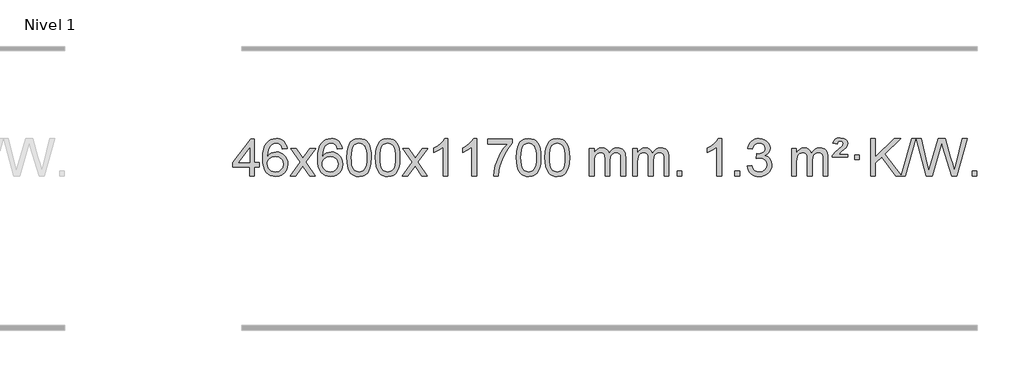
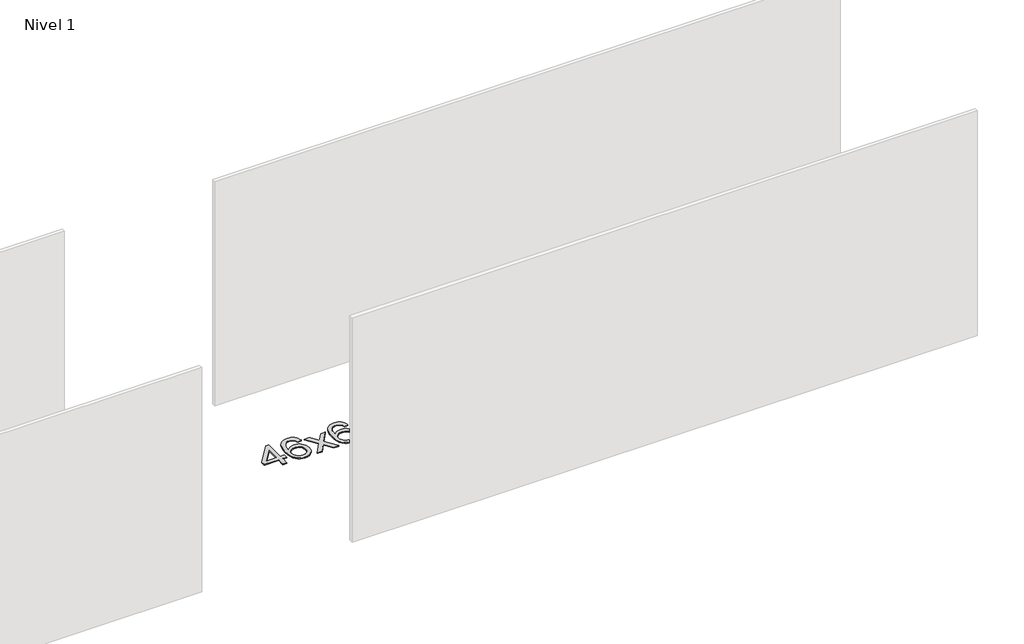
# One storey, part 12 of 12: 1 proxy.
"""IFC4 building model written with IfcOpenShell, lengths in millimetres."""

from ifc_helpers import new_model, si_unit, origin, origin_with_axes, place, context, project, spatial, polyline, outline, extrude, element, save

model = new_model("IFC4")

# Units and contexts
model_context = context("Model", 3, world=origin())
ifc_project = project(units=[si_unit("LENGTHUNIT", "METRE", prefix="MILLI")], contexts=[model_context])

# Site, building, storey
site = spatial("IfcSite", under=ifc_project)
building = spatial("IfcBuilding", under=site)
storey = spatial("IfcBuildingStorey", under=building, Name="Nivel 1", Elevation=0.0)

# Proxy
placement = place(None, origin())
element("IfcBuildingElementProxy", 1, Name="Texto de modelo 1", ObjectType="Texto de modelo 1", at=placement, inside=storey, context=model_context, shape_type="SweptSolid", body=[
    extrude(outline(polyline([(-1746.7519314, 2608.420547), (-1746.7519314, 2702.5983378), (-1928.8289935, 2702.5983378), (-1928.8289935, 2752.8264928), (-1734.1948926, 3003.9672682), (-1696.5237763, 3003.9672682), (-1696.5237763, 2752.8264928), (-1646.2956212, 2752.8264928), (-1646.2956212, 2702.5983378), (-1696.5237763, 2702.5983378), (-1696.5237763, 2608.420547), (-1746.7519314, 2608.420547)]), holes=[polyline([(-1746.7519314, 2752.8264928), (-1746.7519314, 2908.0236439), (-1867.0248183, 2752.8264928), (-1746.7519314, 2752.8264928)])]), origin_with_axes(), (0.0, 0.0, 1.0), 10.0),
    extrude(outline(polyline([(-1344.9266908, 2903.5109581), (-1395.1548459, 2897.2324387), (-1403.2482498, 2922.125787), (-1414.1866077, 2939.1219352), (-1436.970766, 2954.7937082), (-1464.5128647, 2960.0176325), (-1487.8611086, 2956.9764747), (-1509.8359265, 2947.8530012), (-1528.7082728, 2928.6372983), (-1544.1225284, 2902.1865829), (-1554.5335889, 2864.772984), (-1558.3963499, 2812.6686307), (-1538.2486793, 2836.1762902), (-1514.1033576, 2852.7432427), (-1487.3092857, 2862.565692), (-1459.215364, 2865.8398418), (-1435.0823051, 2863.601893), (-1412.8131816, 2856.8880466), (-1392.4079936, 2845.6983025), (-1373.8667411, 2830.0326609), (-1358.4586168, 2810.8230894), (-1347.4528138, 2789.0015557), (-1340.849332, 2764.5680599), (-1338.6481714, 2737.5226018), (-1342.7929752, 2701.5560055), (-1355.2273867, 2668.213634), (-1374.9213361, 2639.9357713), (-1400.8447541, 2619.1627013), (-1431.820418, 2606.397196), (-1466.6711057, 2602.1420276), (-1496.6136344, 2604.9624563), (-1523.6560268, 2613.4237421), (-1547.7982827, 2627.5258853), (-1569.0404022, 2647.2688857), (-1586.3584472, 2673.4866092), (-1598.7284793, 2707.0129217), (-1606.1504985, 2747.8478232), (-1608.6245049, 2795.9913136), (-1605.8776527, 2849.9657337), (-1597.637096, 2896.0306908), (-1583.9028349, 2934.1861851), (-1564.6748692, 2964.4322165), (-1543.8343542, 2984.4756538), (-1519.6706385, 2998.7923948), (-1492.1837221, 3007.3824394), (-1461.373605, 3010.2457876), (-1438.2399589, 3008.4738227), (-1417.301342, 3003.1579278), (-1398.5577543, 2994.2981031), (-1382.0091959, 2981.8943485), (-1368.1032565, 2966.3635969), (-1357.2875258, 2948.1227814), (-1349.5620039, 2927.1719017), (-1344.9266908, 2903.5109581)]), holes=[polyline([(-1558.3963499, 2738.3074168), (-1555.4900821, 2716.0505561), (-1546.7712788, 2694.7992395), (-1533.2332214, 2676.527767), (-1515.8691912, 2663.2104388), (-1494.9121802, 2655.0802467), (-1470.5951803, 2652.3701827), (-1437.4490126, 2657.9865145), (-1423.5338761, 2665.0069292), (-1411.3907046, 2674.8355099), (-1401.5406642, 2687.0737176), (-1394.504921, 2701.3230135), (-1388.8763265, 2735.8548701), (-1394.4313446, 2769.0010379), (-1401.3751173, 2782.6218688), (-1411.096399, 2794.274531), (-1423.2763587, 2803.6095366), (-1437.5961654, 2810.2773978), (-1472.6553195, 2815.6116867), (-1505.7524363, 2810.2773978), (-1533.4294251, 2794.274531), (-1544.3524547, 2782.7751529), (-1552.1546187, 2769.6141746), (-1556.8359171, 2754.7915958), (-1558.3963499, 2738.3074168)])]), origin_with_axes(), (0.0, 0.0, 1.0), 10.0),
    extrude(outline(polyline([(-1313.5340939, 2608.420547), (-1206.2106531, 2756.7505675), (-1307.2555745, 2903.5109581), (-1246.8248254, 2903.5109581), (-1198.0681983, 2832.877615), (-1175.3085655, 2799.5229808), (-1155.5900906, 2826.7952993), (-1100.0644348, 2903.5109581), (-1039.6336857, 2903.5109581), (-1145.7799041, 2756.7505675), (-1043.5577603, 2608.420547), (-1103.9885094, 2608.420547), (-1165.498379, 2697.5951426), (-1176.7800935, 2713.8800523), (-1253.1033448, 2608.420547), (-1313.5340939, 2608.420547)])), origin_with_axes(), (0.0, 0.0, 1.0), 10.0),
    extrude(outline(polyline([(-754.7458687, 2903.5109581), (-804.9740237, 2897.2324387), (-813.0674276, 2922.125787), (-824.0057856, 2939.1219352), (-846.7899439, 2954.7937082), (-874.3320426, 2960.0176325), (-897.6802865, 2956.9764747), (-919.6551044, 2947.8530012), (-938.5274507, 2928.6372983), (-953.9417063, 2902.1865829), (-964.3527668, 2864.772984), (-968.2155277, 2812.6686307), (-948.0678571, 2836.1762902), (-923.9225355, 2852.7432427), (-897.1284635, 2862.565692), (-869.0345418, 2865.8398418), (-844.9014829, 2863.601893), (-822.6323595, 2856.8880466), (-802.2271715, 2845.6983025), (-783.6859189, 2830.0326609), (-768.2777947, 2810.8230894), (-757.2719917, 2789.0015557), (-750.6685099, 2764.5680599), (-748.4673493, 2737.5226018), (-752.6121531, 2701.5560055), (-765.0465645, 2668.213634), (-784.740514, 2639.9357713), (-810.6639319, 2619.1627013), (-841.6395959, 2606.397196), (-876.4902836, 2602.1420276), (-906.4328123, 2604.9624563), (-933.4752046, 2613.4237421), (-957.6174606, 2627.5258853), (-978.8595801, 2647.2688857), (-996.177625, 2673.4866092), (-1008.5476571, 2707.0129217), (-1015.9696764, 2747.8478232), (-1018.4436828, 2795.9913136), (-1015.6968306, 2849.9657337), (-1007.4562739, 2896.0306908), (-993.7220127, 2934.1861851), (-974.4940471, 2964.4322165), (-953.6535321, 2984.4756538), (-929.4898164, 2998.7923948), (-902.0029, 3007.3824394), (-871.1927829, 3010.2457876), (-848.0591367, 3008.4738227), (-827.1205198, 3003.1579278), (-808.3769322, 2994.2981031), (-791.8283738, 2981.8943485), (-777.9224344, 2966.3635969), (-767.1067037, 2948.1227814), (-759.3811818, 2927.1719017), (-754.7458687, 2903.5109581)]), holes=[polyline([(-968.2155277, 2738.3074168), (-965.30926, 2716.0505561), (-956.5904567, 2694.7992395), (-943.0523993, 2676.527767), (-925.6883691, 2663.2104388), (-904.7313581, 2655.0802467), (-880.4143582, 2652.3701827), (-847.2681904, 2657.9865145), (-833.353054, 2665.0069292), (-821.2098825, 2674.8355099), (-811.359842, 2687.0737176), (-804.3240989, 2701.3230135), (-798.6955043, 2735.8548701), (-804.2505225, 2769.0010379), (-811.1942951, 2782.6218688), (-820.9155769, 2794.274531), (-833.0955366, 2803.6095366), (-847.4153432, 2810.2773978), (-882.4744974, 2815.6116867), (-915.5716142, 2810.2773978), (-943.248603, 2794.274531), (-954.1716326, 2782.7751529), (-961.9737965, 2769.6141746), (-966.6550949, 2754.7915958), (-968.2155277, 2738.3074168)])]), origin_with_axes(), (0.0, 0.0, 1.0), 10.0),
    extrude(outline(polyline([(-704.5177136, 2806.0958057), (-700.8266309, 2870.4138412), (-689.7533828, 2921.7088541), (-671.408334, 2960.7656593), (-659.550271, 2975.9990395), (-645.901849, 2988.3690716), (-630.4170827, 2997.9401349), (-613.0499869, 3004.7766086), (-572.6688065, 3010.2457876), (-541.717668, 3007.008426), (-514.003891, 2997.2963414), (-490.8273253, 2981.4896783), (-473.4878206, 2959.9685816), (-460.3912216, 2932.9169922), (-449.9433729, 2900.5188512), (-443.1007678, 2859.3773814), (-440.8198994, 2806.0958057), (-444.4741939, 2742.1456523), (-455.4370774, 2690.9732667), (-473.6717616, 2651.8796734), (-485.5022334, 2636.6003078), (-499.1414584, 2624.1658964), (-514.6446188, 2614.5304538), (-532.066897, 2607.6479948), (-572.6688065, 2602.1420276), (-600.3335326, 2604.5332606), (-624.8589989, 2611.7069595), (-646.2452055, 2623.6631243), (-664.4921525, 2640.4017551), (-682.0033355, 2670.6600492), (-694.5113233, 2708.3618224), (-702.016116, 2753.5070745), (-704.5177136, 2806.0958057)]), holes=[polyline([(-654.2895585, 2806.1939076), (-652.8180305, 2762.5293805), (-648.4034466, 2727.1851178), (-641.0458067, 2700.1611196), (-630.7451108, 2681.4573858), (-618.2861739, 2668.7317344), (-604.4538109, 2659.6419835), (-589.2480218, 2654.1881329), (-572.6688065, 2652.3701827), (-556.0895913, 2654.1942643), (-540.8838021, 2659.6665089), (-527.0514391, 2668.7869167), (-514.5925022, 2681.5554876), (-504.2918063, 2700.2898783), (-496.9341664, 2727.3077451), (-492.5195825, 2762.6090882), (-491.0480545, 2806.1939076), (-492.4705316, 2848.7026722), (-496.7379627, 2883.4246011), (-503.8503479, 2910.3596945), (-513.8076873, 2929.5079524), (-526.0581577, 2942.8559375), (-540.0499363, 2952.3902125), (-555.7830229, 2958.1107775), (-573.2574177, 2960.0176325), (-589.7507938, 2958.3376381), (-604.6990656, 2953.2976548), (-618.1022329, 2944.8976825), (-629.9602959, 2933.1377214), (-640.6043483, 2912.291075), (-648.2072429, 2884.1848906), (-652.7689796, 2848.8191681), (-654.2895585, 2806.1939076)])]), origin_with_axes(), (0.0, 0.0, 1.0), 10.0),
    extrude(outline(polyline([(-396.8702638, 2806.0958057), (-393.1791811, 2870.4138412), (-382.105933, 2921.7088541), (-363.7608842, 2960.7656593), (-351.9028212, 2975.9990395), (-338.2543992, 2988.3690716), (-322.7696329, 2997.9401349), (-305.402537, 3004.7766086), (-265.0213567, 3010.2457876), (-234.0702182, 3007.008426), (-206.3564412, 2997.2963414), (-183.1798755, 2981.4896783), (-165.8403708, 2959.9685816), (-152.7437718, 2932.9169922), (-142.2959231, 2900.5188512), (-135.453318, 2859.3773814), (-133.1724496, 2806.0958057), (-136.8267441, 2742.1456523), (-147.7896275, 2690.9732667), (-166.0243118, 2651.8796734), (-177.8547836, 2636.6003078), (-191.4940086, 2624.1658964), (-206.997169, 2614.5304538), (-224.4194471, 2607.6479948), (-265.0213567, 2602.1420276), (-292.6860827, 2604.5332606), (-317.2115491, 2611.7069595), (-338.5977557, 2623.6631243), (-356.8447027, 2640.4017551), (-374.3558856, 2670.6600492), (-386.8638735, 2708.3618224), (-394.3686662, 2753.5070745), (-396.8702638, 2806.0958057)]), holes=[polyline([(-346.6421087, 2806.1939076), (-345.1705807, 2762.5293805), (-340.7559968, 2727.1851178), (-333.3983568, 2700.1611196), (-323.097661, 2681.4573858), (-310.6387241, 2668.7317344), (-296.8063611, 2659.6419835), (-281.6005719, 2654.1881329), (-265.0213567, 2652.3701827), (-248.4421414, 2654.1942643), (-233.2363523, 2659.6665089), (-219.4039893, 2668.7869167), (-206.9450524, 2681.5554876), (-196.6443565, 2700.2898783), (-189.2867166, 2727.3077451), (-184.8721327, 2762.6090882), (-183.4006047, 2806.1939076), (-184.8230817, 2848.7026722), (-189.0905129, 2883.4246011), (-196.2028981, 2910.3596945), (-206.1602375, 2929.5079524), (-218.4107079, 2942.8559375), (-232.4024864, 2952.3902125), (-248.1355731, 2958.1107775), (-265.6099679, 2960.0176325), (-282.103344, 2958.3376381), (-297.0516157, 2953.2976548), (-310.4547831, 2944.8976825), (-322.3128461, 2933.1377214), (-332.9568985, 2912.291075), (-340.559793, 2884.1848906), (-345.1215298, 2848.8191681), (-346.6421087, 2806.1939076)])]), origin_with_axes(), (0.0, 0.0, 1.0), 10.0),
    extrude(outline(polyline([(-108.0583721, 2608.420547), (-0.7349313, 2756.7505675), (-101.7798527, 2903.5109581), (-41.3491036, 2903.5109581), (7.4075235, 2832.877615), (30.1671563, 2799.5229808), (49.8856312, 2826.7952993), (105.411287, 2903.5109581), (165.8420361, 2903.5109581), (59.6958177, 2756.7505675), (161.9179615, 2608.420547), (101.4872124, 2608.420547), (39.9773428, 2697.5951426), (28.6956283, 2713.8800523), (-47.627623, 2608.420547), (-108.0583721, 2608.420547)])), origin_with_axes(), (0.0, 0.0, 1.0), 10.0),
    extrude(outline(polyline([(381.6661399, 2608.420547), (331.4379848, 2608.420547), (331.4379848, 2921.5617013), (310.4687111, 2904.6023413), (283.8585801, 2887.6675068), (230.9816747, 2862.3081746), (230.9816747, 2909.7894775), (270.4308873, 2931.2492605), (304.6071247, 2956.780271), (331.5483494, 2983.9299622), (349.2925243, 3010.2457876), (381.6661399, 3010.2457876), (381.6661399, 2608.420547)])), origin_with_axes(), (0.0, 0.0, 1.0), 10.0),
    extrude(outline(polyline([(689.3135897, 2608.420547), (639.0854347, 2608.420547), (639.0854347, 2921.5617013), (618.1161609, 2904.6023413), (591.50603, 2887.6675068), (538.6291245, 2862.3081746), (538.6291245, 2909.7894775), (578.0783371, 2931.2492605), (612.2545745, 2956.780271), (639.1957993, 2983.9299622), (656.9399742, 3010.2457876), (689.3135897, 3010.2457876), (689.3135897, 2608.420547)])), origin_with_axes(), (0.0, 0.0, 1.0), 10.0),
    extrude(outline(polyline([(808.605458, 2953.7391131), (808.605458, 3003.9672682), (1072.3032722, 3003.9672682), (1072.3032722, 2963.353096), (1034.717995, 2915.785954), (997.5005998, 2855.2938912), (964.6732631, 2787.3951377), (940.2581614, 2717.6079232), (928.2897338, 2665.3932053), (921.618807, 2608.420547), (871.3906519, 2608.420547), (876.8230427, 2660.1938065), (891.3543815, 2721.7282015), (914.5922609, 2786.9536793), (946.1442733, 2849.8001868), (982.9815238, 2906.6134296), (1022.0751171, 2953.7391131), (808.605458, 2953.7391131)])), origin_with_axes(), (0.0, 0.0, 1.0), 10.0),
    extrude(outline(polyline([(1116.2529079, 2806.0958057), (1119.9439906, 2870.4138412), (1131.0172386, 2921.7088541), (1149.3622874, 2960.7656593), (1161.2203504, 2975.9990395), (1174.8687724, 2988.3690716), (1190.3535388, 2997.9401349), (1207.7206346, 3004.7766086), (1248.1018149, 3010.2457876), (1279.0529535, 3007.008426), (1306.7667304, 2997.2963414), (1329.9432961, 2981.4896783), (1347.2828008, 2959.9685816), (1360.3793999, 2932.9169922), (1370.8272485, 2900.5188512), (1377.6698537, 2859.3773814), (1379.950722, 2806.0958057), (1376.2964275, 2742.1456523), (1365.3335441, 2690.9732667), (1347.0988599, 2651.8796734), (1335.268388, 2636.6003078), (1321.6291631, 2624.1658964), (1306.1260026, 2614.5304538), (1288.7037245, 2607.6479948), (1248.1018149, 2602.1420276), (1220.4370889, 2604.5332606), (1195.9116226, 2611.7069595), (1174.5254159, 2623.6631243), (1156.278469, 2640.4017551), (1138.767286, 2670.6600492), (1126.2592981, 2708.3618224), (1118.7545054, 2753.5070745), (1116.2529079, 2806.0958057)]), holes=[polyline([(1166.481063, 2806.1939076), (1167.9525909, 2762.5293805), (1172.3671749, 2727.1851178), (1179.7248148, 2700.1611196), (1190.0255106, 2681.4573858), (1202.4844475, 2668.7317344), (1216.3168106, 2659.6419835), (1231.5225997, 2654.1881329), (1248.1018149, 2652.3701827), (1264.6810302, 2654.1942643), (1279.8868193, 2659.6665089), (1293.7191824, 2668.7869167), (1306.1781193, 2681.5554876), (1316.4788151, 2700.2898783), (1323.836455, 2727.3077451), (1328.251039, 2762.6090882), (1329.7225669, 2806.1939076), (1328.3000899, 2848.7026722), (1324.0326588, 2883.4246011), (1316.9202735, 2910.3596945), (1306.9629342, 2929.5079524), (1294.7124637, 2942.8559375), (1280.7206852, 2952.3902125), (1264.9875985, 2958.1107775), (1247.5132038, 2960.0176325), (1231.0198276, 2958.3376381), (1216.0715559, 2953.2976548), (1202.6683885, 2944.8976825), (1190.8103256, 2933.1377214), (1180.1662732, 2912.291075), (1172.5633786, 2884.1848906), (1168.0016419, 2848.8191681), (1166.481063, 2806.1939076)])]), origin_with_axes(), (0.0, 0.0, 1.0), 10.0),
    extrude(outline(polyline([(1423.9003577, 2806.0958057), (1427.5914404, 2870.4138412), (1438.6646885, 2921.7088541), (1457.0097373, 2960.7656593), (1468.8678003, 2975.9990395), (1482.5162223, 2988.3690716), (1498.0009886, 2997.9401349), (1515.3680844, 3004.7766086), (1555.7492648, 3010.2457876), (1586.7004033, 3007.008426), (1614.4141803, 2997.2963414), (1637.590746, 2981.4896783), (1654.9302507, 2959.9685816), (1668.0268497, 2932.9169922), (1678.4746984, 2900.5188512), (1685.3173035, 2859.3773814), (1687.5981719, 2806.0958057), (1683.9438774, 2742.1456523), (1672.9809939, 2690.9732667), (1654.7463097, 2651.8796734), (1642.9158379, 2636.6003078), (1629.2766129, 2624.1658964), (1613.7734525, 2614.5304538), (1596.3511743, 2607.6479948), (1555.7492648, 2602.1420276), (1528.0845387, 2604.5332606), (1503.5590724, 2611.7069595), (1482.1728657, 2623.6631243), (1463.9259188, 2640.4017551), (1446.4147358, 2670.6600492), (1433.906748, 2708.3618224), (1426.4019553, 2753.5070745), (1423.9003577, 2806.0958057)]), holes=[polyline([(1474.1285128, 2806.1939076), (1475.6000408, 2762.5293805), (1480.0146247, 2727.1851178), (1487.3722646, 2700.1611196), (1497.6729605, 2681.4573858), (1510.1318974, 2668.7317344), (1523.9642604, 2659.6419835), (1539.1700495, 2654.1881329), (1555.7492648, 2652.3701827), (1572.32848, 2654.1942643), (1587.5342692, 2659.6665089), (1601.3666322, 2668.7869167), (1613.8255691, 2681.5554876), (1624.126265, 2700.2898783), (1631.4839049, 2727.3077451), (1635.8984888, 2762.6090882), (1637.3700168, 2806.1939076), (1635.9475397, 2848.7026722), (1631.6801086, 2883.4246011), (1624.5677233, 2910.3596945), (1614.610384, 2929.5079524), (1602.3599136, 2942.8559375), (1588.368135, 2952.3902125), (1572.6350484, 2958.1107775), (1555.1606536, 2960.0176325), (1538.6672775, 2958.3376381), (1523.7190057, 2953.2976548), (1510.3158384, 2944.8976825), (1498.4577754, 2933.1377214), (1487.813723, 2912.291075), (1480.2108284, 2884.1848906), (1475.6490917, 2848.8191681), (1474.1285128, 2806.1939076)])]), origin_with_axes(), (0.0, 0.0, 1.0), 10.0),
    extrude(outline(polyline([(1901.0678309, 2608.420547), (1901.0678309, 2903.5109581), (1951.295986, 2903.5109581), (1951.295986, 2854.9505347), (1966.4036733, 2877.2564463), (1985.8278426, 2894.7308411), (2008.9063064, 2906.0248184), (2034.9768772, 2909.7894775), (2062.9113833, 2905.951242), (2085.3031341, 2894.4365355), (2102.0295022, 2876.0056476), (2112.9678601, 2851.4188676), (2131.2761208, 2876.9560094), (2152.1595554, 2895.196825), (2175.6181639, 2906.1413143), (2201.6519464, 2909.7894775), (2221.7597632, 2908.2719642), (2239.4089019, 2903.7194245), (2254.5993626, 2896.1318584), (2267.3311453, 2885.5092658), (2277.3957836, 2871.7290194), (2284.5848109, 2854.6684918), (2288.8982273, 2834.3276832), (2290.3360328, 2810.7065934), (2290.3360328, 2608.420547), (2240.1078777, 2608.420547), (2240.1078777, 2789.124183), (2238.942918, 2814.1769469), (2235.4480391, 2831.0627305), (2228.8997396, 2842.6264879), (2218.5745182, 2851.7131732), (2205.2939782, 2857.5992851), (2189.8797226, 2859.5613224), (2162.6687177, 2854.5336018), (2140.4854334, 2839.45044), (2131.8800604, 2827.8805512), (2125.7333654, 2813.2817674), (2120.8160094, 2774.9975144), (2120.8160094, 2608.420547), (2070.5878543, 2608.420547), (2070.5878543, 2794.7159894), (2067.6815865, 2823.1164794), (2058.9627833, 2843.3745146), (2043.6221041, 2855.5146204), (2020.8502086, 2859.5613224), (2001.4996156, 2856.8635211), (1983.6696016, 2848.7701172), (1968.9543218, 2835.4773144), (1958.9479315, 2817.1813165), (1953.2089724, 2791.7974589), (1951.295986, 2757.2410768), (1951.295986, 2608.420547), (1901.0678309, 2608.420547)])), origin_with_axes(), (0.0, 0.0, 1.0), 10.0),
    extrude(outline(polyline([(2365.6782654, 2608.420547), (2365.6782654, 2903.5109581), (2415.9064204, 2903.5109581), (2415.9064204, 2854.9505347), (2431.0141077, 2877.2564463), (2450.4382771, 2894.7308411), (2473.5167409, 2906.0248184), (2499.5873116, 2909.7894775), (2527.5218178, 2905.951242), (2549.9135685, 2894.4365355), (2566.6399366, 2876.0056476), (2577.5782946, 2851.4188676), (2595.8865552, 2876.9560094), (2616.7699898, 2895.196825), (2640.2285984, 2906.1413143), (2666.2623809, 2909.7894775), (2686.3701976, 2908.2719642), (2704.0193363, 2903.7194245), (2719.209797, 2896.1318584), (2731.9415798, 2885.5092658), (2742.006218, 2871.7290194), (2749.1952453, 2854.6684918), (2753.5086617, 2834.3276832), (2754.9464672, 2810.7065934), (2754.9464672, 2608.420547), (2704.7183121, 2608.420547), (2704.7183121, 2789.124183), (2703.5533525, 2814.1769469), (2700.0584735, 2831.0627305), (2693.510174, 2842.6264879), (2683.1849527, 2851.7131732), (2669.9044126, 2857.5992851), (2654.490157, 2859.5613224), (2627.2791521, 2854.5336018), (2605.0958678, 2839.45044), (2596.4904948, 2827.8805512), (2590.3437998, 2813.2817674), (2585.4264438, 2774.9975144), (2585.4264438, 2608.420547), (2535.1982887, 2608.420547), (2535.1982887, 2794.7159894), (2532.292021, 2823.1164794), (2523.5732177, 2843.3745146), (2508.2325385, 2855.5146204), (2485.460643, 2859.5613224), (2466.11005, 2856.8635211), (2448.280036, 2848.7701172), (2433.5647562, 2835.4773144), (2423.5583659, 2817.1813165), (2417.8194068, 2791.7974589), (2415.9064204, 2757.2410768), (2415.9064204, 2608.420547), (2365.6782654, 2608.420547)])), origin_with_axes(), (0.0, 0.0, 1.0), 10.0),
    extrude(outline(polyline([(2842.8457386, 2608.420547), (2842.8457386, 2658.6487021), (2893.0738936, 2658.6487021), (2893.0738936, 2608.420547), (2842.8457386, 2608.420547)])), origin_with_axes(), (0.0, 0.0, 1.0), 10.0),
    extrude(outline(polyline([(3320.0132118, 2608.420547), (3269.7850567, 2608.420547), (3269.7850567, 2921.5617013), (3248.815783, 2904.6023413), (3222.205652, 2887.6675068), (3169.3287466, 2862.3081746), (3169.3287466, 2909.7894775), (3208.7779592, 2931.2492605), (3242.9541965, 2956.780271), (3269.8954213, 2983.9299622), (3287.6395962, 3010.2457876), (3320.0132118, 3010.2457876), (3320.0132118, 2608.420547)])), origin_with_axes(), (0.0, 0.0, 1.0), 10.0),
    extrude(outline(polyline([(3464.4191576, 2608.420547), (3464.4191576, 2658.6487021), (3514.6473127, 2658.6487021), (3514.6473127, 2608.420547), (3464.4191576, 2608.420547)])), origin_with_axes(), (0.0, 0.0, 1.0), 10.0),
    extrude(outline(polyline([(3596.2680647, 2715.1553765), (3646.4962198, 2721.4338959), (3657.7411461, 2689.8696207), (3674.2099967, 2668.5569905), (3696.7121121, 2656.4168846), (3726.0568326, 2652.3701827), (3760.4905873, 2657.9374636), (3774.7644088, 2664.8965646), (3787.0761929, 2674.6393061), (3804.072341, 2699.5571799), (3809.7377238, 2729.7725545), (3804.121392, 2758.4550874), (3787.2723966, 2781.7174922), (3761.7659116, 2797.1317478), (3730.1771109, 2802.269833), (3694.9585413, 2796.7761285), (3700.5503476, 2847.0042836), (3708.5947006, 2846.4156724), (3738.6874478, 2850.020916), (3765.5918843, 2860.8366466), (3776.6651324, 2869.0158897), (3784.5745953, 2879.1326445), (3789.320273, 2891.1869112), (3790.9021656, 2905.1786898), (3786.3159034, 2926.8714648), (3772.5571168, 2944.4684869), (3751.5633176, 2956.1303461), (3725.2720177, 2960.0176325), (3698.9316668, 2956.0935579), (3677.3983074, 2944.3213341), (3661.6774834, 2924.700961), (3652.7747392, 2897.2324387), (3602.5465841, 2903.5109581), (3608.500141, 2927.4907328), (3617.3354403, 2948.6132907), (3629.0524818, 2966.8786317), (3643.6512657, 2982.286756), (3660.6719393, 2994.5188323), (3679.6546503, 3003.2560297), (3700.5993985, 3008.4983481), (3723.5061841, 3010.2457876), (3755.082722, 3006.7999596), (3784.084086, 2996.4624755), (3808.5359759, 2980.1530404), (3826.4640918, 2958.7913592), (3837.4637635, 2934.1800537), (3841.1303207, 2908.1217457), (3837.6477045, 2883.8415341), (3827.1998558, 2861.8176653), (3809.9339275, 2843.0556835), (3785.9970723, 2828.5611329), (3817.4387202, 2815.8569414), (3840.7379132, 2794.22548), (3855.1588874, 2764.8439714), (3859.9658788, 2728.8896377), (3857.5623831, 2703.4076782), (3850.351896, 2679.9368069), (3838.3344175, 2658.4770238), (3821.5099476, 2639.028329), (3801.0127891, 2622.8905722), (3777.9772448, 2611.363603), (3752.4033148, 2604.4474215), (3724.290999, 2602.1420276), (3698.8826159, 2604.1101963), (3675.7305757, 2610.0147023), (3654.8348783, 2619.8555457), (3636.1955239, 2633.6327264), (3620.5666705, 2650.5369041), (3608.7024761, 2669.7587383), (3600.6029409, 2691.2982292), (3596.2680647, 2715.1553765)])), origin_with_axes(), (0.0, 0.0, 1.0), 10.0),
    extrude(outline(polyline([(4073.4355379, 2608.420547), (4073.4355379, 2903.5109581), (4123.663693, 2903.5109581), (4123.663693, 2854.9505347), (4138.7713803, 2877.2564463), (4158.1955496, 2894.7308411), (4181.2740134, 2906.0248184), (4207.3445842, 2909.7894775), (4235.2790903, 2905.951242), (4257.6708411, 2894.4365355), (4274.3972091, 2876.0056476), (4285.3355671, 2851.4188676), (4303.6438278, 2876.9560094), (4324.5272623, 2895.196825), (4347.9858709, 2906.1413143), (4374.0196534, 2909.7894775), (4394.1274702, 2908.2719642), (4411.7766089, 2903.7194245), (4426.9670696, 2896.1318584), (4439.6988523, 2885.5092658), (4449.7634906, 2871.7290194), (4456.9525179, 2854.6684918), (4461.2659343, 2834.3276832), (4462.7037397, 2810.7065934), (4462.7037397, 2608.420547), (4412.4755847, 2608.420547), (4412.4755847, 2789.124183), (4411.310625, 2814.1769469), (4407.8157461, 2831.0627305), (4401.2674465, 2842.6264879), (4390.9422252, 2851.7131732), (4377.6616852, 2857.5992851), (4362.2474296, 2859.5613224), (4335.0364247, 2854.5336018), (4312.8531404, 2839.45044), (4304.2477674, 2827.8805512), (4298.1010724, 2813.2817674), (4293.1837164, 2774.9975144), (4293.1837164, 2608.420547), (4242.9555613, 2608.420547), (4242.9555613, 2794.7159894), (4240.0492935, 2823.1164794), (4231.3304902, 2843.3745146), (4215.989811, 2855.5146204), (4193.2179155, 2859.5613224), (4173.8673226, 2856.8635211), (4156.0373086, 2848.7701172), (4141.3220287, 2835.4773144), (4131.3156385, 2817.1813165), (4125.5766794, 2791.7974589), (4123.663693, 2757.2410768), (4123.663693, 2608.420547), (4073.4355379, 2608.420547)])), origin_with_axes(), (0.0, 0.0, 1.0), 10.0),
    extrude(outline(polyline([(4506.6533754, 2809.3331673), (4510.4793482, 2825.1520931), (4518.8180067, 2841.0200698), (4540.3268407, 2866.1586728), (4572.2835234, 2893.8969753), (4616.4293628, 2931.273786), (4623.5662735, 2942.8007552), (4625.9452437, 2954.6220299), (4624.0567828, 2966.7130848), (4618.3914001, 2976.4987459), (4609.022672, 2982.973469), (4596.0241748, 2985.1317101), (4583.5897634, 2983.5130293), (4574.73607, 2978.656987), (4568.3103978, 2969.1901569), (4563.1600499, 2953.7391131), (4512.9318948, 2960.0176325), (4523.7721509, 2985.2298119), (4540.4004171, 3002.7900458), (4564.165594, 3013.0907417), (4596.4165822, 3016.524307), (4632.1992376, 3012.3917659), (4656.9454332, 2999.9941427), (4671.3664074, 2981.6613566), (4676.1733988, 2959.7233269), (4672.0776459, 2936.8165414), (4659.7903873, 2915.1850801), (4639.262572, 2895.3685032), (4602.7932035, 2867.3113697), (4577.1886166, 2840.7257642), (4676.1733988, 2840.7257642), (4676.1733988, 2809.3331673), (4506.6533754, 2809.3331673)])), origin_with_axes(), (0.0, 0.0, 1.0), 10.0),
    extrude(outline(polyline([(4751.5156314, 2784.2190898), (4751.5156314, 2834.4472448), (4801.7437865, 2834.4472448), (4801.7437865, 2784.2190898), (4751.5156314, 2784.2190898)])), origin_with_axes(), (0.0, 0.0, 1.0), 10.0),
    extrude(outline(polyline([(5192.3854144, 2608.420547), (5038.954097, 2811.0990009), (4971.2638099, 2746.5479735), (4971.2638099, 2608.420547), (4921.0356548, 2608.420547), (4921.0356548, 3010.2457876), (4971.2638099, 3010.2457876), (4971.2638099, 2813.5515475), (5177.2777272, 3010.2457876), (5247.5186628, 3010.2457876), (5074.5650741, 2845.0422463), (5249.218684, 2614.4650668), (5360.5320117, 3010.2457876), (5405.8550735, 3010.2457876), (5292.8417246, 2608.420547), (5253.7971822, 2608.420547), (5247.5186628, 2608.420547), (5192.3854144, 2608.420547)])), origin_with_axes(), (0.0, 0.0, 1.0), 10.0),
    extrude(outline(polyline([(5520.3399504, 2608.420547), (5410.7601668, 3010.2457876), (5462.5579517, 3010.2457876), (5526.1279605, 2746.155566), (5545.7483335, 2664.6329159), (5566.7421327, 2736.7377869), (5646.4008474, 3010.2457876), (5721.056367, 3010.2457876), (5778.9364675, 2811.9819177), (5803.731714, 2738.4055186), (5822.0031864, 2664.6329159), (5841.0349483, 2743.8011212), (5905.1935683, 3010.2457876), (5956.9913532, 3010.2457876), (5847.3134677, 2608.420547), (5793.6517474, 2608.420547), (5697.3157155, 2918.4224416), (5683.87576, 2961.6853642), (5668.7680727, 2909.5932737), (5580.9669032, 2608.420547), (5520.3399504, 2608.420547)])), origin_with_axes(), (0.0, 0.0, 1.0), 10.0),
    extrude(outline(polyline([(6013.4980277, 2608.420547), (6013.4980277, 2658.6487021), (6063.7261827, 2658.6487021), (6063.7261827, 2608.420547), (6013.4980277, 2608.420547)])), origin_with_axes(), (0.0, 0.0, 1.0), 10.0),
])

save(model, "model.ifc")
